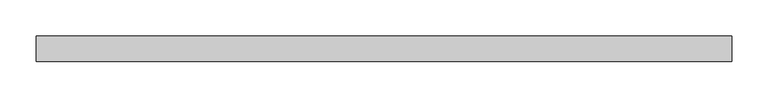
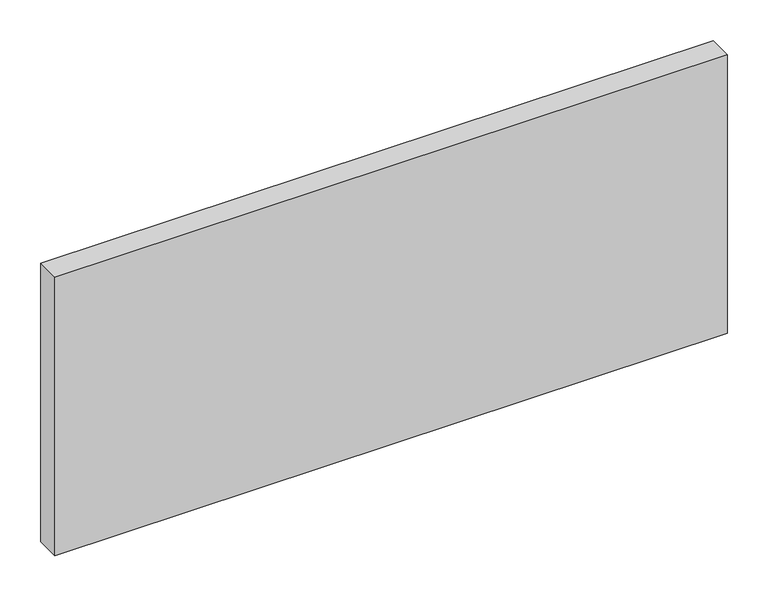
"""IFC4 building model written with IfcOpenShell, lengths in millimetres: plate geometry."""

from ifc_helpers import new_model, si_unit, origin, origin_with_axes, place, context, project, spatial, polyline, outline, extrude, source, transform, mapped, element, save


def plate_6324041b(model_context):
    return source(origin(), model_context, "Body", "SweptSolid", [
        extrude(outline(polyline([(477.1116071, -17.5), (-477.1116071, -17.5), (-477.1116071, 17.5), (477.1116071, 17.5), (477.1116071, -17.5)])), origin_with_axes(), (0.0, 0.0, 1.0), 417.625),
    ])


if __name__ == "__main__":
    model = new_model("IFC4")
    model_context = context("Model", 3, world=origin())
    ifc_project = project(units=[si_unit("LENGTHUNIT", "METRE", prefix="MILLI")], contexts=[model_context])
    site = spatial("IfcSite", under=ifc_project)
    building = spatial("IfcBuilding", under=site)
    placement = place(None, origin())
    plate_shape = plate_6324041b(model_context)
    element("IfcPlate", 1, at=placement, inside=building, context=model_context, shape_type="MappedRepresentation", body=[
        mapped(plate_shape, transform((0.0, 0.0, 0.0), x_axis=(1.0, 0.0, 0.0), y_axis=(0.0, 1.0, 0.0), z_axis=(0.0, 0.0, 1.0))),
    ])
    save(model, "model.ifc")
